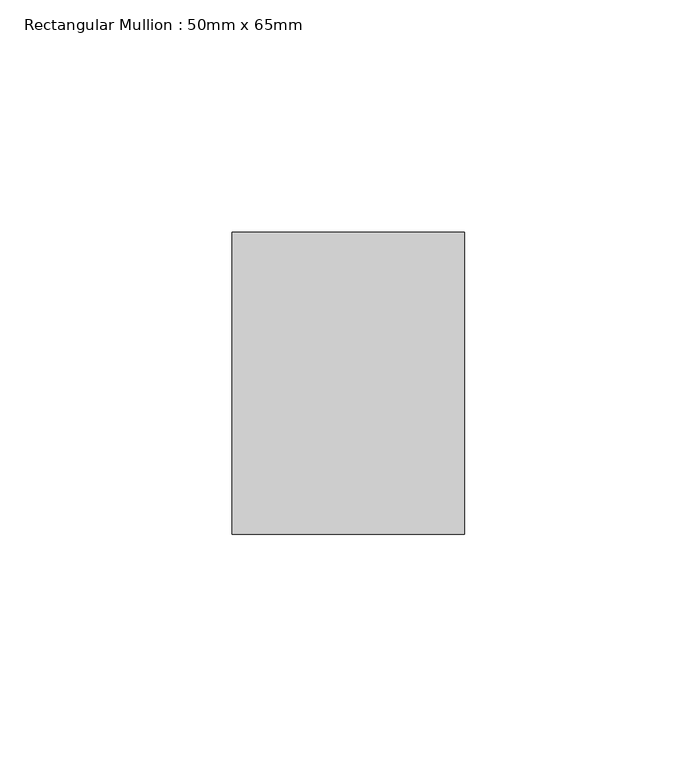
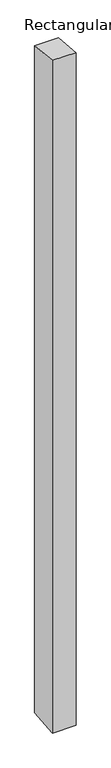
"""IFC4 building model written with IfcOpenShell, lengths in millimetres: member geometry, Rectangular Mullion : 50mm x 65mm."""

from ifc_helpers import new_model, si_unit, origin, place, context, project, spatial, faceted_brep, source, transform, mapped, element, save


def rectangular_mullion_50mm_x_65mm_10b692e4(model_context):
    return source(origin(), model_context, "Body", "Brep", [
        faceted_brep([(-25.0, 32.5, -3.3716841), (25.0, 32.5, -3.3716796), (25.0, 32.5, -1496.8525524), (-25.0, 32.5, -1496.8525482), (-25.0, -32.5, 3.3716796), (-25.0, -32.5, -1503.1464208), (25.0, -32.5, 3.3716841), (25.0, -32.5, -1503.1464251)], [[[0, 1, 2, 3]], [[4, 0, 3, 5]], [[6, 4, 5, 7]], [[1, 6, 7, 2]], [[1, 0, 4, 6]], [[2, 7, 5, 3]]]),
    ])


if __name__ == "__main__":
    model = new_model("IFC4")
    model_context = context("Model", 3, world=origin())
    ifc_project = project(units=[si_unit("LENGTHUNIT", "METRE", prefix="MILLI")], contexts=[model_context])
    site = spatial("IfcSite", under=ifc_project)
    building = spatial("IfcBuilding", under=site)
    placement = place(None, origin())
    rectangular_mullion_50mm_x_65mm_shape = rectangular_mullion_50mm_x_65mm_10b692e4(model_context)
    element("IfcMember", 1, ObjectType="Rectangular Mullion : 50mm x 65mm", at=placement, inside=building, context=model_context, shape_type="MappedRepresentation", body=[
        mapped(rectangular_mullion_50mm_x_65mm_shape, transform((0.0, 0.0, 0.0), x_axis=(1.0, 0.0, 0.0), y_axis=(0.0, 1.0, 0.0), z_axis=(0.0, 0.0, 1.0))),
    ])
    save(model, "model.ifc")
